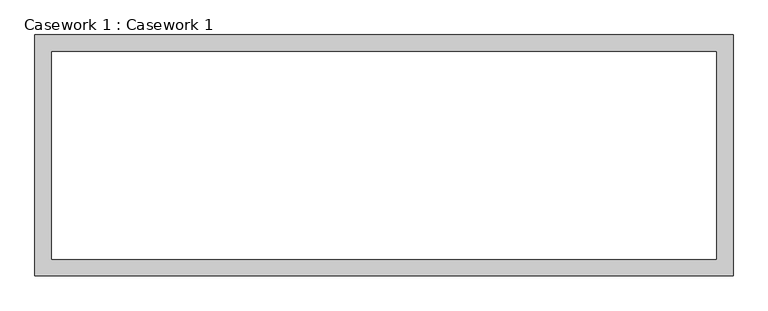
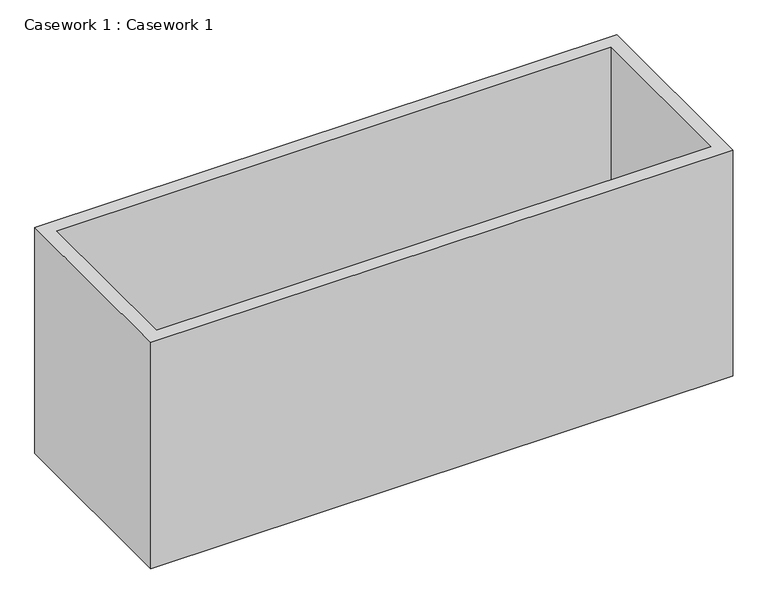
"""IFC4 building model written with IfcOpenShell, lengths in millimetres: furniture geometry, Casework 1 : Casework 1."""

from ifc_helpers import new_model, si_unit, origin, origin_with_axes, place, context, project, spatial, polyline, outline, extrude, source, transform, mapped, element, save


def casework_1_casework_1_113df1d5(model_context):
    return source(origin(), model_context, "Body", "SweptSolid", [
        extrude(outline(polyline([(10045.7, 22555.2), (10045.7, 21818.6), (7912.1, 21818.6), (7912.1, 22555.2), (10045.7, 22555.2)]), holes=[polyline([(7962.9, 22504.4), (7962.9, 21869.4), (9994.9, 21869.4), (9994.9, 22504.4), (7962.9, 22504.4)])]), origin_with_axes(), (0.0, 0.0, 1.0), 876.3),
    ])


if __name__ == "__main__":
    model = new_model("IFC4")
    model_context = context("Model", 3, world=origin())
    ifc_project = project(units=[si_unit("LENGTHUNIT", "METRE", prefix="MILLI")], contexts=[model_context])
    site = spatial("IfcSite", under=ifc_project)
    building = spatial("IfcBuilding", under=site)
    placement = place(None, origin())
    casework_1_casework_1_shape = casework_1_casework_1_113df1d5(model_context)
    element("IfcFurniture", 1, ObjectType="Casework 1 : Casework 1", at=placement, inside=building, context=model_context, shape_type="MappedRepresentation", body=[
        mapped(casework_1_casework_1_shape, transform((0.0, 0.0, 0.0), x_axis=(1.0, 0.0, 0.0), y_axis=(0.0, 1.0, 0.0), z_axis=(0.0, 0.0, 1.0))),
    ])
    save(model, "model.ifc")
